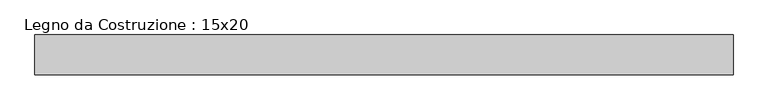
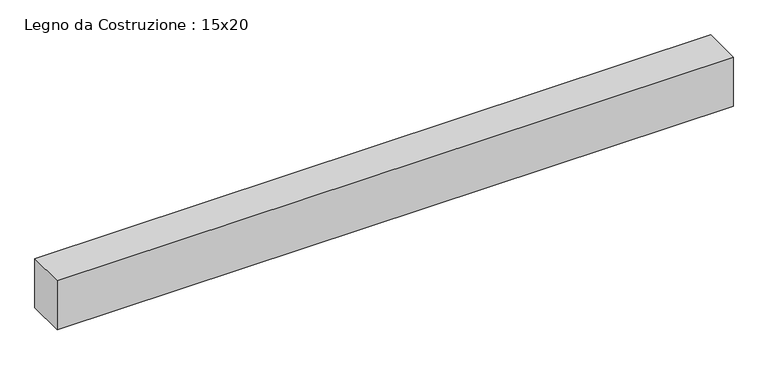
"""IFC4 building model written with IfcOpenShell, lengths in millimetres: beam geometry, Legno da Costruzione : 15x20."""

from ifc_helpers import new_model, si_unit, frame, origin, place, context, project, spatial, polyline, outline, extrude, source, transform, mapped, element, save


def legno_da_costruzione_15x20_3f526b42(model_context):
    return source(origin(), model_context, "Body", "SweptSolid", [
        extrude(outline(polyline([(1402.0, 75.0), (1402.0, -75.0), (-1213.0, -75.0), (-1213.0, 75.0), (1402.0, 75.0)])), frame((0.0, 0.0, -100.0), z_axis=(0.0, 0.0, 1.0), x_axis=(1.0, 0.0, 0.0)), (0.0, 0.0, 1.0), 200.0),
    ])


if __name__ == "__main__":
    model = new_model("IFC4")
    model_context = context("Model", 3, world=origin())
    ifc_project = project(units=[si_unit("LENGTHUNIT", "METRE", prefix="MILLI")], contexts=[model_context])
    site = spatial("IfcSite", under=ifc_project)
    building = spatial("IfcBuilding", under=site)
    placement = place(None, origin())
    legno_da_costruzione_15x20_shape = legno_da_costruzione_15x20_3f526b42(model_context)
    element("IfcBeam", 1, ObjectType="Legno da Costruzione : 15x20", at=placement, inside=building, context=model_context, shape_type="MappedRepresentation", body=[
        mapped(legno_da_costruzione_15x20_shape, transform((0.0, 0.0, 0.0), x_axis=(1.0, 0.0, 0.0), y_axis=(0.0, 1.0, 0.0), z_axis=(0.0, 0.0, 1.0))),
    ])
    save(model, "model.ifc")
